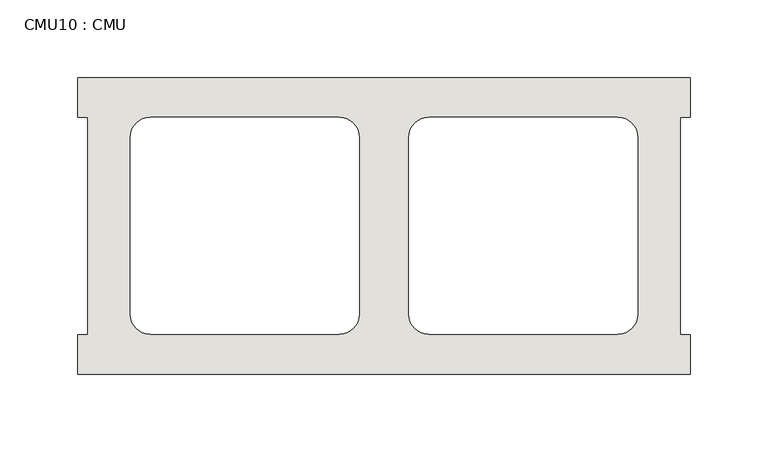
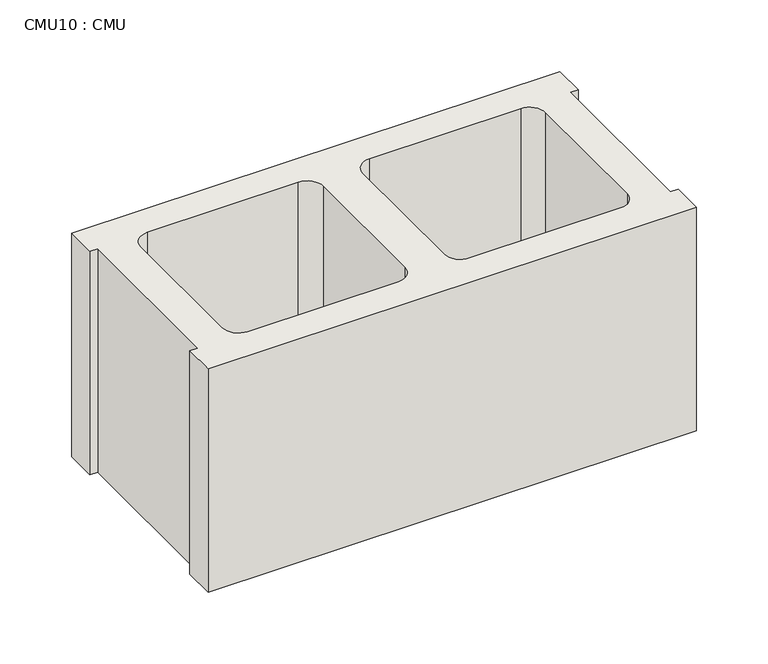
"""IFC4 building model written with IfcOpenShell, lengths in millimetres: wall geometry, CMU10 : CMU."""

from ifc_helpers import new_model, si_unit, point, frame_2d, origin, origin_with_axes, place, context, project, spatial, polyline, circle_curve, trimmed, segment, composite_curve, outline, extrude, source, transform, mapped, element, save


def cmu10_cmu_4198c62b(model_context):
    return source(origin(), model_context, "Body", "SweptSolid", [
        extrude(outline(polyline([(-1210.1785982, 3347.4652891), (-816.4785982, 3347.4652891), (-816.4785982, 3322.0652891), (-822.8285982, 3322.0652891), (-822.8285982, 3182.3652891), (-816.4785982, 3182.3652891), (-816.4785982, 3156.9652891), (-1210.1785982, 3156.9652891), (-1210.1785982, 3182.3652891), (-1203.8285982, 3182.3652891), (-1203.8285982, 3322.0652891), (-1210.1785982, 3322.0652891), (-1210.1785982, 3347.4652891)]), holes=[composite_curve([segment(polyline([(-1042.0105995, 3322.0652891), (-1163.7272496, 3322.0652891)]), True, "CONTINUOUS"), segment(trimmed(circle_curve(frame_2d((-1163.7272496, 3309.3652891)), 12.7), [point((-1163.7272496, 3322.0652891))], [point((-1176.4272496, 3309.3652891))], True, "CARTESIAN"), True, "CONTINUOUS"), segment(polyline([(-1176.4272496, 3309.3652891), (-1176.4272496, 3195.2994494)]), True, "CONTINUOUS"), segment(trimmed(circle_curve(frame_2d((-1163.7272496, 3195.2994494)), 12.7), [point((-1176.4272496, 3195.2994494))], [point((-1163.7272496, 3182.5994494))], True, "CARTESIAN"), True, "CONTINUOUS"), segment(polyline([(-1163.7272496, 3182.5994494), (-1042.0105995, 3182.5994494)]), True, "CONTINUOUS"), segment(trimmed(circle_curve(frame_2d((-1042.0105995, 3195.2994494)), 12.7), [point((-1042.0105995, 3182.5994494))], [point((-1029.3105995, 3195.2994494))], True, "CARTESIAN"), True, "CONTINUOUS"), segment(polyline([(-1029.3105995, 3195.2994494), (-1029.3105995, 3309.3652891)]), True, "CONTINUOUS"), segment(trimmed(circle_curve(frame_2d((-1042.0105995, 3309.3652891)), 12.7), [point((-1029.3105995, 3309.3652891))], [point((-1042.0105995, 3322.0652891))], True, "CARTESIAN"), True, "CONTINUOUS")], self_intersect=False), composite_curve([segment(trimmed(circle_curve(frame_2d((-984.6465969, 3309.3652891)), 12.7), [point((-984.6465969, 3322.0652891))], [point((-997.3465969, 3309.3652891))], True, "CARTESIAN"), True, "CONTINUOUS"), segment(polyline([(-997.3465969, 3309.3652891), (-997.3465969, 3195.2994494)]), True, "CONTINUOUS"), segment(trimmed(circle_curve(frame_2d((-984.6465969, 3195.2994494)), 12.7), [point((-997.3465969, 3195.2994494))], [point((-984.6465969, 3182.5994494))], True, "CARTESIAN"), True, "CONTINUOUS"), segment(polyline([(-984.6465969, 3182.5994494), (-862.9299468, 3182.5994494)]), True, "CONTINUOUS"), segment(trimmed(circle_curve(frame_2d((-862.9299468, 3195.2994494)), 12.7), [point((-862.9299468, 3182.5994494))], [point((-850.2299468, 3195.2994494))], True, "CARTESIAN"), True, "CONTINUOUS"), segment(polyline([(-850.2299468, 3195.2994494), (-850.2299468, 3309.3652891)]), True, "CONTINUOUS"), segment(trimmed(circle_curve(frame_2d((-862.9299468, 3309.3652891)), 12.7), [point((-850.2299468, 3309.3652891))], [point((-862.9299468, 3322.0652891))], True, "CARTESIAN"), True, "CONTINUOUS"), segment(polyline([(-862.9299468, 3322.0652891), (-984.6465969, 3322.0652891)]), True, "CONTINUOUS")], self_intersect=False)]), origin_with_axes(), (0.0, 0.0, 1.0), 190.5),
    ])


if __name__ == "__main__":
    model = new_model("IFC4")
    model_context = context("Model", 3, world=origin())
    ifc_project = project(units=[si_unit("LENGTHUNIT", "METRE", prefix="MILLI")], contexts=[model_context])
    site = spatial("IfcSite", under=ifc_project)
    building = spatial("IfcBuilding", under=site)
    placement = place(None, origin())
    cmu10_cmu_shape = cmu10_cmu_4198c62b(model_context)
    element("IfcWall", 1, ObjectType="CMU10 : CMU", at=placement, inside=building, context=model_context, shape_type="MappedRepresentation", body=[
        mapped(cmu10_cmu_shape, transform((0.0, 0.0, 0.0), x_axis=(1.0, 0.0, 0.0), y_axis=(0.0, 1.0, 0.0), z_axis=(0.0, 0.0, 1.0))),
    ])
    save(model, "model.ifc")
